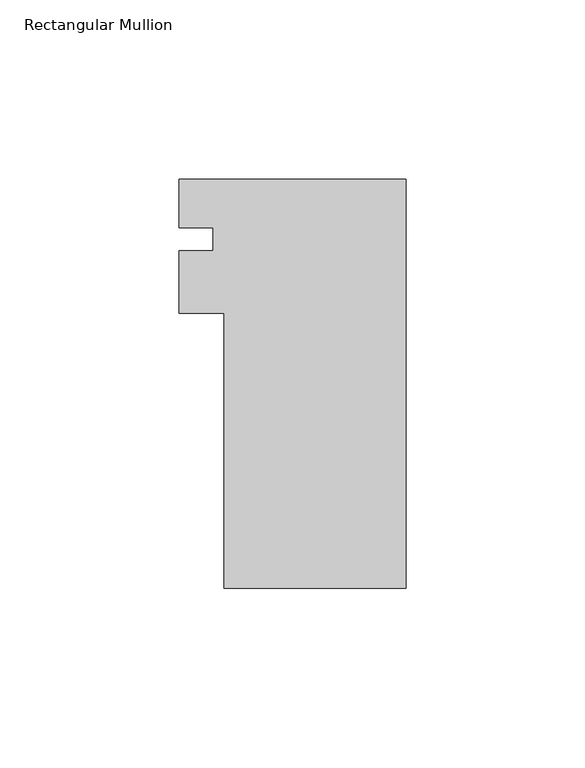
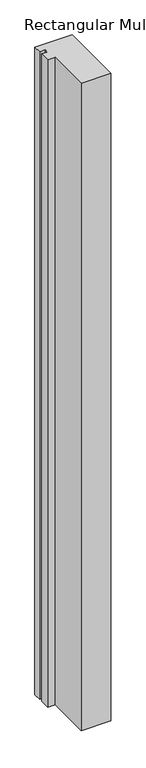
"""IFC4 building model written with IfcOpenShell, lengths in millimetres: member geometry, Rectangular Mullion."""

from ifc_helpers import new_model, si_unit, frame, origin, place, context, project, spatial, polyline, outline, extrude, source, transform, mapped, element, save


def rectangular_mullion_9cc0d44b(model_context):
    return source(origin(), model_context, "Body", "SweptSolid", [
        extrude(outline(polyline([(-50.8, -39.773225), (-50.8, 37.061775), (-63.4999959, 37.061775), (-63.4999959, 54.5598739), (-53.9749959, 54.5598739), (-53.9749959, 60.874275), (-63.4999959, 60.874275), (-63.4999959, 74.526775), (0.0, 74.526775), (0.0, -39.773225), (-50.8, -39.773225)])), frame((0.0, 0.0, -1168.4), z_axis=(0.0, 0.0, 1.0), x_axis=(1.0, 0.0, 0.0)), (0.0, 0.0, 1.0), 1168.4),
    ])


if __name__ == "__main__":
    model = new_model("IFC4")
    model_context = context("Model", 3, world=origin())
    ifc_project = project(units=[si_unit("LENGTHUNIT", "METRE", prefix="MILLI")], contexts=[model_context])
    site = spatial("IfcSite", under=ifc_project)
    building = spatial("IfcBuilding", under=site)
    placement = place(None, origin())
    rectangular_mullion_shape = rectangular_mullion_9cc0d44b(model_context)
    element("IfcMember", 1, ObjectType="Rectangular Mullion", at=placement, inside=building, context=model_context, shape_type="MappedRepresentation", body=[
        mapped(rectangular_mullion_shape, transform((0.0, 0.0, 0.0), x_axis=(1.0, 0.0, 0.0), y_axis=(0.0, 1.0, 0.0), z_axis=(0.0, 0.0, 1.0))),
    ])
    save(model, "model.ifc")
